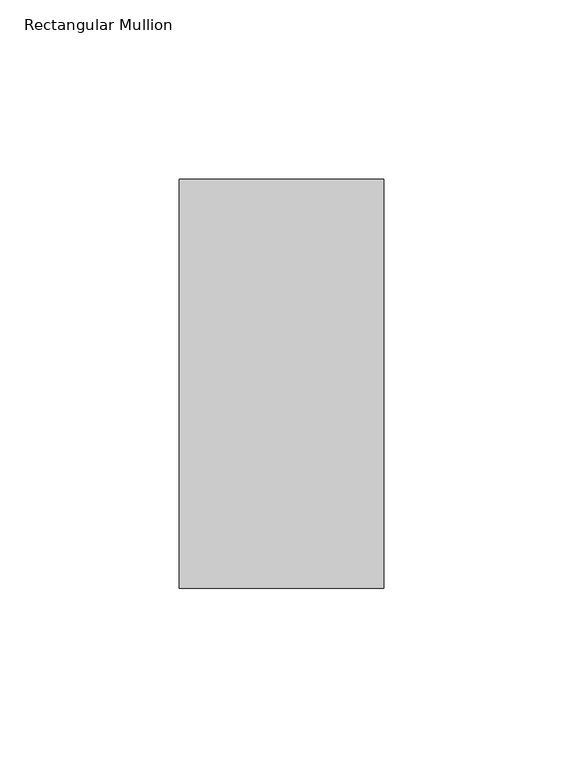
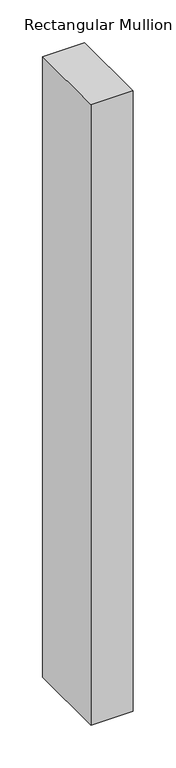
"""IFC4 building model written with IfcOpenShell, lengths in millimetres: member geometry, Rectangular Mullion."""

from ifc_helpers import new_model, si_unit, frame, origin, place, context, project, spatial, polyline, outline, extrude, source, transform, mapped, element, save


def rectangular_mullion_24e5dbc9(model_context):
    return source(origin(), model_context, "Body", "SweptSolid", [
        extrude(outline(polyline([(-57.15, 57.12714), (0.0, 57.12714), (0.0, -57.17286), (-57.15, -57.17286), (-57.15, 57.12714)])), frame((0.0, 0.0, -889.0), z_axis=(0.0, 0.0, 1.0), x_axis=(1.0, 0.0, 0.0)), (0.0, 0.0, 1.0), 889.0),
    ])


if __name__ == "__main__":
    model = new_model("IFC4")
    model_context = context("Model", 3, world=origin())
    ifc_project = project(units=[si_unit("LENGTHUNIT", "METRE", prefix="MILLI")], contexts=[model_context])
    site = spatial("IfcSite", under=ifc_project)
    building = spatial("IfcBuilding", under=site)
    placement = place(None, origin())
    rectangular_mullion_shape = rectangular_mullion_24e5dbc9(model_context)
    element("IfcMember", 1, ObjectType="Rectangular Mullion", at=placement, inside=building, context=model_context, shape_type="MappedRepresentation", body=[
        mapped(rectangular_mullion_shape, transform((0.0, 0.0, 0.0), x_axis=(1.0, 0.0, 0.0), y_axis=(0.0, 1.0, 0.0), z_axis=(0.0, 0.0, 1.0))),
    ])
    save(model, "model.ifc")
